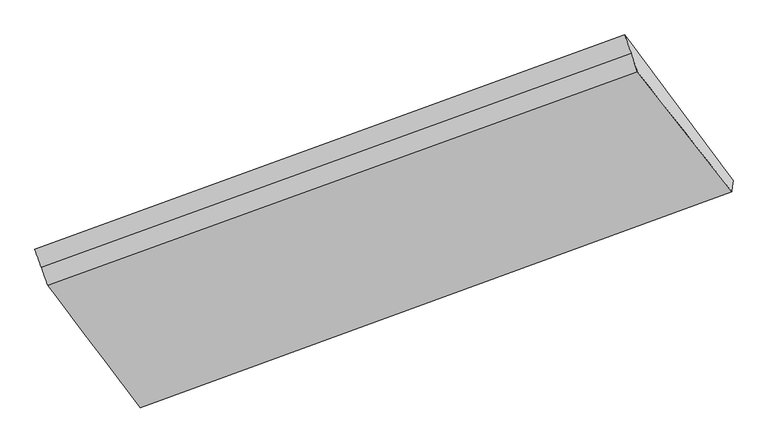
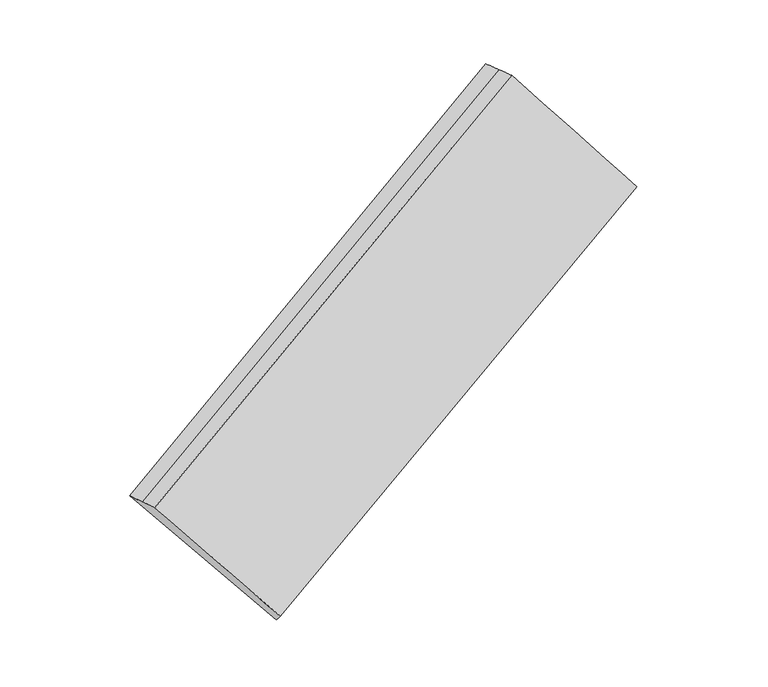
"""IFC4 building model written with IfcOpenShell, lengths in millimetres: proxy geometry."""

from ifc_helpers import new_model, si_unit, frame, origin, place, context, project, spatial, source, transform, mapped, element, save
from ifc_brep_helpers import plane_surface, spline_surface, advanced_brep


def generic_models_21a2fa0d(model_context):
    return source(origin(), model_context, "Body", "AdvancedBrep", [
        advanced_brep(
        [(-4511.5455944, -2789.5708603, 488.0619607), (-5263.2709668, -1756.3679437, 1332.4396288), (-1113.662138, -247.7320895, 3168.0516135), (-351.6188225, -1272.5050236, 2293.2189368), (-5218.6401135, -1881.617376, 1335.6273014), (-1069.5032241, -376.8126602, 3175.5070144), (-5174.0092602, -2006.8668083, 1338.8149739), (-1025.3443102, -505.8932309, 3182.9624153), (-4521.4814708, -2870.2289258, 577.9116819), (-361.1167347, -1349.6077569, 2379.1081663), (-4516.5135326, -2829.8998931, 532.9868213), (-356.3677786, -1311.0563902, 2336.1635516)],
        [
            (0, 1),
            (1, 2),
            (2, 3),
            (3, 0),
            (1, 4),
            (4, 5),
            (5, 2),
            (4, 6),
            (6, 7),
            (7, 5),
            (6, 8),
            (8, 9),
            (9, 7),
            (8, 10),
            (10, 11),
            (11, 9),
            (10, 0),
            (3, 11),
        ],
        [
            spline_surface(1, 1, [[(-4511.5455944, -2789.5708603, 488.0619607), (-351.6188225, -1272.5050236, 2293.2189368)], [(-5263.2709668, -1756.3679437, 1332.4396288), (-1113.662138, -247.7320895, 3168.0516135)]], [2, 2], [2, 2], [0.0, 1.0], [0.0, 1.0]),
            spline_surface(1, 1, [[(-5263.2709668, -1756.3679437, 1332.4396288), (-1113.662138, -247.7320895, 3168.0516135)], [(-5218.6401135, -1881.617376, 1335.6273014), (-1069.5032241, -376.8126602, 3175.5070144)]], [2, 2], [2, 2], [0.0, 1.0], [0.0, 1.0]),
            spline_surface(1, 1, [[(-5218.6401135, -1881.617376, 1335.6273014), (-1069.5032241, -376.8126602, 3175.5070144)], [(-5174.0092602, -2006.8668083, 1338.8149739), (-1025.3443102, -505.8932309, 3182.9624153)]], [2, 2], [2, 2], [0.0, 1.0], [0.0, 1.0]),
            spline_surface(1, 1, [[(-5174.0092602, -2006.8668083, 1338.8149739), (-1025.3443102, -505.8932309, 3182.9624153)], [(-4521.4814708, -2870.2289258, 577.9116819), (-361.1167347, -1349.6077569, 2379.1081663)]], [2, 2], [2, 2], [0.0, 1.0], [0.0, 1.0]),
            plane_surface(frame((-4518.9975017, -2850.0644095, 555.4492516), z_axis=(0.4866294558257378, -0.6761584041722052, -0.5531741002523919), x_axis=(0.08201274613923586, 0.6657680910463689, -0.7416378890099772))),
            plane_surface(frame((-4514.0295635, -2809.7353767, 510.524391), z_axis=(0.48662945582573813, -0.6761584041722032, -0.5531741002523943), x_axis=(0.0820127461392356, 0.6657680910463715, -0.741637889009975))),
            plane_surface(frame((-712.9355013, -843.9345252, 2755.835283), z_axis=(0.8673844505693199, 0.3188050196847615, 0.3821093748318113), x_axis=(0.08201274613923573, 0.6657680910463701, -0.741637889009976))),
            plane_surface(frame((-4867.5768231, -2355.7586345, 934.3070613), z_axis=(-0.8673844505693246, -0.3188050196847555, -0.3821093748318063), x_axis=(-0.08201274613923586, -0.6657680910463698, 0.7416378890099763))),
        ],
        [
            (0, [[1, 2, 3, 4]]),
            (1, [[5, 6, 7, -2]]),
            (2, [[8, 9, 10, -6]]),
            (3, [[11, 12, 13, -9]]),
            (4, [[14, 15, 16, -12]]),
            (5, [[17, -4, 18, -15]]),
            (6, [[-16, -18, -3, -7, -10, -13]]),
            (7, [[-17, -14, -11, -8, -5, -1]]),
        ],
    ),
    ])


if __name__ == "__main__":
    model = new_model("IFC4")
    model_context = context("Model", 3, world=origin())
    ifc_project = project(units=[si_unit("LENGTHUNIT", "METRE", prefix="MILLI")], contexts=[model_context])
    site = spatial("IfcSite", under=ifc_project)
    building = spatial("IfcBuilding", under=site)
    placement = place(None, origin())
    generic_models_shape = generic_models_21a2fa0d(model_context)
    element("IfcBuildingElementProxy", 1, Name="Generic Models", at=placement, inside=building, context=model_context, shape_type="MappedRepresentation", body=[
        mapped(generic_models_shape, transform((0.0, 0.0, 0.0), x_axis=(1.0, 0.0, 0.0), y_axis=(0.0, 1.0, 0.0), z_axis=(0.0, 0.0, 1.0))),
    ])
    save(model, "model.ifc")
